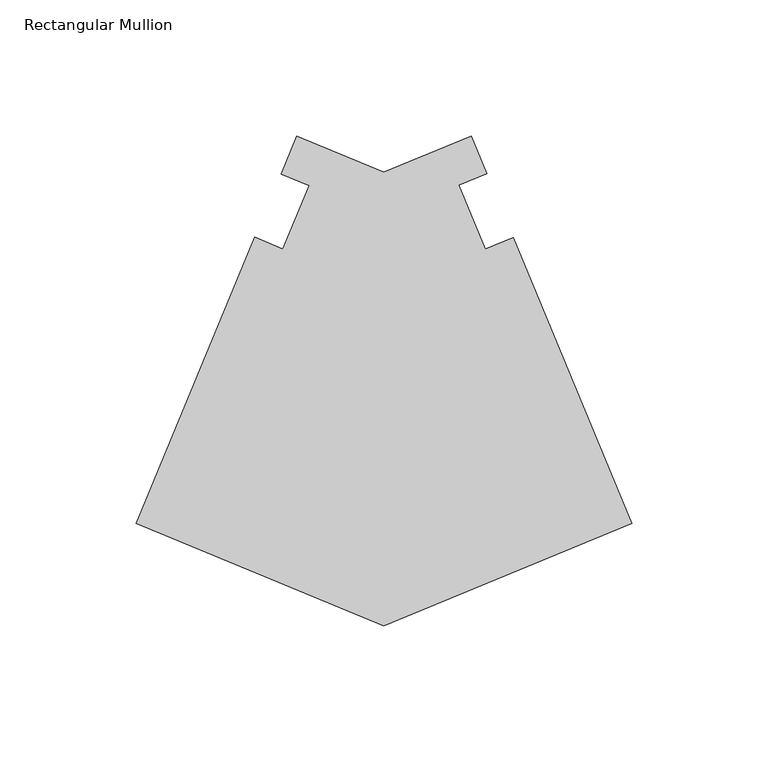
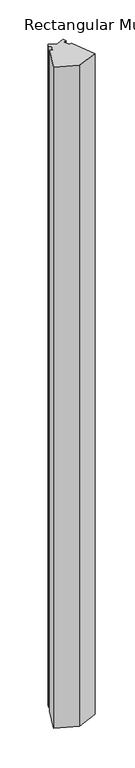
"""IFC4 building model written with IfcOpenShell, lengths in millimetres: member geometry, Rectangular Mullion."""

import ifcopenshell
import ifcopenshell.guid

model = None  # the IFC model being written
_history = None  # IfcOwnerHistory: only IFC2X3 demands one
_inside = {}  # id of a spatial element -> (the spatial element, [elements in it])
_under = {}  # id of a project, library or spatial element -> (it, [spatial elements below it])
_declared = {}  # id of a project -> (the project, [libraries it declares])
_typed = {}  # id of a type object -> (the type object, [elements of that type])
_made_of = {}  # id of a material, layer set ... -> (it, [elements and type objects made of it])


def new_model(schema):
    """Start an empty IFC model of exactly this schema.

    Asked for "IFC4X3", IfcOpenShell would pick the latest addendum, in which some entities
    have other attributes; the version numbers below select the first issue.
    IFC2X3 requires an IfcOwnerHistory on every rooted entity: one is made here for all.
    """
    global model, _history
    if schema == "IFC4X3":
        model = ifcopenshell.file(schema_version=(4, 3, 0, 0))
    else:
        model = ifcopenshell.file(schema=schema)
    _inside.clear()
    _under.clear()
    _declared.clear()
    _typed.clear()
    _made_of.clear()
    _history = None
    if model.schema == "IFC2X3":
        org = make("IfcOrganization", Name="unknown")
        user = make(
            "IfcPersonAndOrganization",
            ThePerson=make("IfcPerson", FamilyName="unknown"),
            TheOrganization=org,
        )
        app = make(
            "IfcApplication",
            ApplicationDeveloper=org,
            Version="unknown",
            ApplicationFullName="unknown",
            ApplicationIdentifier="unknown",
        )
        _history = make(
            "IfcOwnerHistory",
            OwningUser=user,
            OwningApplication=app,
            ChangeAction="ADDED",
            CreationDate=0,
        )
    return model


def make(cls, **values):
    """One entity of the class cls with the attributes given. An attribute that is None is left unset."""
    return model.create_entity(
        cls, **{name: value for name, value in values.items() if value is not None}
    )


def rooted(cls, **values):
    """An entity with a GlobalId (a new one), such as an element, a storey or a relation."""
    return make(cls, GlobalId=ifcopenshell.guid.new(), OwnerHistory=_history, **values)


def si_unit(unit_type, name, prefix=None):
    """IfcSIUnit, for example si_unit("LENGTHUNIT", "METRE", prefix="MILLI")."""
    return make("IfcSIUnit", UnitType=unit_type, Prefix=prefix, Name=name)


def assignment(units):
    """IfcUnitAssignment: the units of a project."""
    return None if units is None else make("IfcUnitAssignment", Units=units)


def point(xyz):
    """IfcCartesianPoint."""
    return None if xyz is None else make("IfcCartesianPoint", Coordinates=xyz)


def direction(xyz):
    """IfcDirection."""
    return None if xyz is None else make("IfcDirection", DirectionRatios=xyz)


def frame(location, z_axis=None, x_axis=None):
    """IfcAxis2Placement3D, a coordinate frame: its origin and axes. An axis left out is left unset."""
    return make(
        "IfcAxis2Placement3D",
        Location=point(location),
        Axis=direction(z_axis),
        RefDirection=direction(x_axis),
    )


def origin():
    """The frame at (0, 0, 0) with its axes left unset."""
    return frame((0.0, 0.0, 0.0))


def place(relative_to, where):
    """IfcLocalPlacement: puts the frame where relative to a parent placement (None: the world)."""
    return make(
        "IfcLocalPlacement", PlacementRelTo=relative_to, RelativePlacement=where
    )


def context(
    kind, dimensions, precision=None, world=None, true_north=None, identifier=None
):
    """IfcGeometricRepresentationContext, for example the 3D "Model" context."""
    return make(
        "IfcGeometricRepresentationContext",
        ContextIdentifier=identifier,
        ContextType=kind,
        CoordinateSpaceDimension=dimensions,
        Precision=precision,
        WorldCoordinateSystem=world,
        TrueNorth=true_north,
    )


def project(units=None, contexts=None):
    """IfcProject with its units and contexts."""
    return rooted(
        "IfcProject",
        Name="project",
        RepresentationContexts=contexts,
        UnitsInContext=assignment(units),
    )


def spatial(cls, under=None, at=None, **own):
    """A site, building, storey or space (cls), placed at a placement, below another one or the project."""
    s = rooted(cls, ObjectPlacement=at, **own)
    if under is not None:
        _under.setdefault(under.id(), (under, []))[1].append(s)
    return s


def polyline(points):
    """IfcPolyline through the points."""
    return make("IfcPolyline", Points=[point(p) for p in points])


def outline(outer, holes=None, kind="AREA"):
    """IfcArbitraryClosedProfileDef: a profile drawn as a closed curve; with holes, ...WithVoids."""
    if holes is None:
        return make("IfcArbitraryClosedProfileDef", ProfileType=kind, OuterCurve=outer)
    return make(
        "IfcArbitraryProfileDefWithVoids",
        ProfileType=kind,
        OuterCurve=outer,
        InnerCurves=holes,
    )


def extrude(swept, where, along, depth):
    """IfcExtrudedAreaSolid: the profile swept, set in the frame where, extruded along a direction by depth."""
    return make(
        "IfcExtrudedAreaSolid",
        SweptArea=swept,
        Position=where,
        ExtrudedDirection=direction(along),
        Depth=depth,
    )


def shape(context_of_items, identifier, shape_type, items):
    """IfcShapeRepresentation: the items that make up one representation, for example the "Body"."""
    return make(
        "IfcShapeRepresentation",
        ContextOfItems=context_of_items,
        RepresentationIdentifier=identifier,
        RepresentationType=shape_type,
        Items=items,
    )


def source(mapping_origin, context_of_items, identifier, shape_type, items):
    """IfcRepresentationMap: a shape defined once, which mapped items show again and again."""
    return make(
        "IfcRepresentationMap",
        MappingOrigin=mapping_origin,
        MappedRepresentation=shape(context_of_items, identifier, shape_type, items),
    )


def transform(
    local_origin,
    x_axis=None,
    y_axis=None,
    z_axis=None,
    scale=None,
    scale2=None,
    scale3=None,
    uniform=True,
):
    """IfcCartesianTransformationOperator3D, or its non-uniform kind. x_axis, y_axis, z_axis: its Axis1, 2, 3."""
    if uniform:
        return make(
            "IfcCartesianTransformationOperator3D",
            Axis1=direction(x_axis),
            Axis2=direction(y_axis),
            LocalOrigin=point(local_origin),
            Scale=scale,
            Axis3=direction(z_axis),
        )
    return make(
        "IfcCartesianTransformationOperator3DnonUniform",
        Axis1=direction(x_axis),
        Axis2=direction(y_axis),
        LocalOrigin=point(local_origin),
        Scale=scale,
        Axis3=direction(z_axis),
        Scale2=scale2,
        Scale3=scale3,
    )


def mapped(mapping_source, mapping_target):
    """IfcMappedItem: shows the shape of a source again, moved by a transform."""
    return make(
        "IfcMappedItem", MappingSource=mapping_source, MappingTarget=mapping_target
    )


def made_of(thing, what):
    """Note that an element or type object is made of a material, layer set ...; save() writes the relation."""
    if what is not None:
        _made_of.setdefault(what.id(), (what, []))[1].append(thing)
    return thing


def element(
    cls,
    number,
    at=None,
    inside=None,
    cuts=None,
    type_object=None,
    material=None,
    context=None,
    identifier="Body",
    shape_type=None,
    held_by="IfcProductDefinitionShape",
    body=None,
    shapes=None,
    **own,
):
    """One element of the class cls, such as IfcWall. Its Tag is "e" and its number.

    at: its placement. inside: the storey or other place that contains it. cuts: it is an
    opening in that element (IfcRelVoidsElement). A single representation is given by context,
    identifier, shape_type and body (its items); several are given by shapes. held_by: the class
    of the entity that holds the representations. save() writes the other relations.
    """
    e = rooted(cls, Tag="e%d" % number, ObjectPlacement=at, **own)
    if body is not None:
        shapes = [shape(context, identifier, shape_type, body)]
    if shapes is not None:
        e.Representation = make(held_by, Representations=shapes)
    if inside is not None:
        _inside.setdefault(inside.id(), (inside, []))[1].append(e)
    if cuts is not None:
        rooted(
            "IfcRelVoidsElement", RelatingBuildingElement=cuts, RelatedOpeningElement=e
        )
    if type_object is not None:
        _typed.setdefault(type_object.id(), (type_object, []))[1].append(e)
    return made_of(e, material)


def aggregate(whole, parts):
    """IfcRelAggregates: a whole, such as a stair, and the parts it consists of."""
    return rooted("IfcRelAggregates", RelatingObject=whole, RelatedObjects=parts)


def save(model, path):
    """Write the relations noted so far, then the file.

    IfcRelAggregates (storeys below a building ...), IfcRelContainedInSpatialStructure (elements
    in a storey), IfcRelDefinesByType, IfcRelAssociatesMaterial and IfcRelDeclares: one each for
    every whole, place, type object, material and project.
    """
    for whole, parts in _under.values():
        aggregate(whole, parts)
    for where, things in _inside.values():
        rooted(
            "IfcRelContainedInSpatialStructure",
            RelatedElements=things,
            RelatingStructure=where,
        )
    for kind, things in _typed.values():
        rooted("IfcRelDefinesByType", RelatedObjects=things, RelatingType=kind)
    for what, things in _made_of.values():
        rooted("IfcRelAssociatesMaterial", RelatedObjects=things, RelatingMaterial=what)
    for by, libraries in _declared.values():
        rooted("IfcRelDeclares", RelatingContext=by, RelatedDefinitions=libraries)
    model.write(path)


def rectangular_mullion_792f873d(model_context):
    return source(origin(), model_context, "Body", "SweptSolid", [
        extrude(outline(polyline([(-90.9340163, -90.1625131), (-181.8652, -52.4975836), (-138.3252273, 52.617209), (-128.058616, 48.3646394), (-118.4235419, 71.6257659), (-128.6901532, 75.8783356), (-122.941595, 89.7565827), (-90.9340163, 76.4986095), (-58.923605, 89.757756), (-53.1986175, 75.9364135), (-63.4652288, 71.6838439), (-53.7560615, 48.2438406), (-43.4894502, 52.4964103), (0.0, -52.4964103), (-90.9340163, -90.1625131)])), frame((0.0, 0.0, -3048.0), z_axis=(0.0, 0.0, 1.0), x_axis=(1.0, 0.0, 0.0)), (0.0, 0.0, 1.0), 3048.0),
    ])


if __name__ == "__main__":
    model = new_model("IFC4")
    model_context = context("Model", 3, world=origin())
    ifc_project = project(units=[si_unit("LENGTHUNIT", "METRE", prefix="MILLI")], contexts=[model_context])
    site = spatial("IfcSite", under=ifc_project)
    building = spatial("IfcBuilding", under=site)
    placement = place(None, origin())
    rectangular_mullion_shape = rectangular_mullion_792f873d(model_context)
    element("IfcMember", 1, ObjectType="Rectangular Mullion", at=placement, inside=building, context=model_context, shape_type="MappedRepresentation", body=[
        mapped(rectangular_mullion_shape, transform((0.0, 0.0, 0.0), x_axis=(1.0, 0.0, 0.0), y_axis=(0.0, 1.0, 0.0), z_axis=(0.0, 0.0, 1.0))),
    ])
    save(model, "model.ifc")
